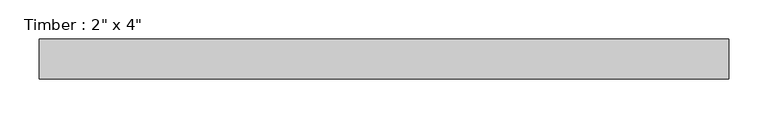
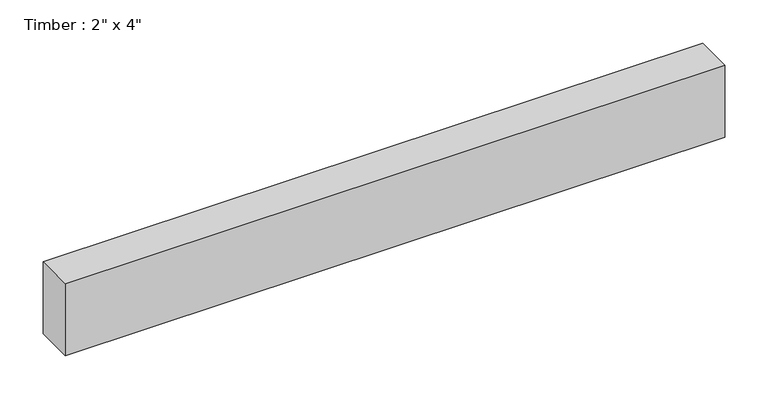
"""IFC4 building model written with IfcOpenShell, lengths in millimetres: beam geometry."""

from ifc_helpers import new_model, si_unit, frame, origin, place, context, project, spatial, polyline, outline, extrude, source, transform, mapped, element, save


def beam_b331c35a(model_context):
    return source(origin(), model_context, "Body", "SweptSolid", [
        extrude(outline(polyline([(419.1766016, 25.4), (419.1766016, -25.4), (-460.6335528, -25.4), (-460.6335528, 25.4), (419.1766016, 25.4)])), frame((0.0, 0.0, -50.8), z_axis=(0.0, 0.0, 1.0), x_axis=(1.0, 0.0, 0.0)), (0.0, 0.0, 1.0), 101.6),
    ])


if __name__ == "__main__":
    model = new_model("IFC4")
    model_context = context("Model", 3, world=origin())
    ifc_project = project(units=[si_unit("LENGTHUNIT", "METRE", prefix="MILLI")], contexts=[model_context])
    site = spatial("IfcSite", under=ifc_project)
    building = spatial("IfcBuilding", under=site)
    placement = place(None, origin())
    beam_shape = beam_b331c35a(model_context)
    element("IfcBeam", 1, ObjectType="Timber : 2\" x 4\"", at=placement, inside=building, context=model_context, shape_type="MappedRepresentation", body=[
        mapped(beam_shape, transform((0.0, 0.0, 0.0), x_axis=(1.0, 0.0, 0.0), y_axis=(0.0, 1.0, 0.0), z_axis=(0.0, 0.0, 1.0))),
    ])
    save(model, "model.ifc")
